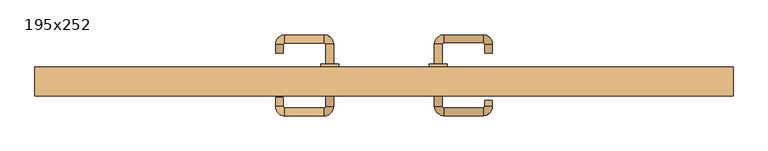
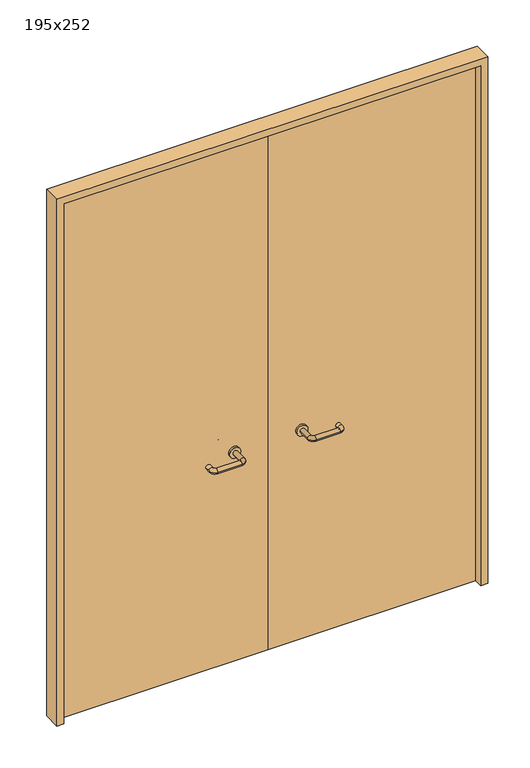
"""IFC4 building model written with IfcOpenShell, lengths in millimetres: door geometry, 195x252."""

from ifc_helpers import new_model, si_unit, point, frame, frame_2d, origin, place, context, project, spatial, polyline, circle_curve, ellipse_curve, trimmed, segment, composite_curve, outline, extrude, source, transform, mapped, element, save
from ifc_brep_helpers import plane_surface, cylinder_surface, revolved_surface, advanced_brep


def door_195x252_9da5147b(model_context):
    return source(origin(), model_context, "Body", "SolidModel", [
        extrude(outline(polyline([(2520.0, -975.0), (0.0, -975.0), (0.0, -943.0), (2488.0, -943.0), (2488.0, 943.0), (0.0, 943.0), (0.0, 975.0), (2520.0, 975.0), (2520.0, -975.0)])), frame((0.0, 110.0, 0.0), z_axis=(0.0, 1.0, 0.0), x_axis=(0.0, 0.0, 1.0)), (0.0, 0.0, 1.0), 80.0),
        advanced_brep(
        [(140.99898, 136.0, 1003.0), (162.99898, 136.0, 1003.0), (140.99898, 80.6474631, 1003.0), (162.99898, 80.6474631, 1003.0), (166.99898, 76.6474631, 1003.0), (166.99898, 54.6474631, 1003.0), (276.99898, 54.6474631, 1003.0), (276.99898, 76.6474631, 1003.0), (280.99898, 80.6474631, 1003.0), (302.99898, 80.6474631, 1003.0), (302.99898, 98.0, 1003.0), (280.99898, 98.0, 1003.0)],
        [
            (0, 1, circle_curve(frame((151.99898, 136.0, 1003.0), z_axis=(0.0, 1.0, 0.0), x_axis=(1.0, 0.0, 0.0)), 11.0)),
            (1, 0, circle_curve(frame((151.99898, 136.0, 1003.0), z_axis=(0.0, 1.0, 0.0), x_axis=(1.0, 0.0, 0.0)), 11.0)),
            (0, 2),
            (2, 3, circle_curve(frame((151.99898, 80.6474631, 1003.0), z_axis=(0.0, 1.0, 0.0), x_axis=(1.0, 0.0, 0.0)), 11.0)),
            (3, 1),
            (3, 2, circle_curve(frame((151.99898, 80.6474631, 1003.0), z_axis=(0.0, 1.0, 0.0), x_axis=(1.0, 0.0, 0.0)), 11.0)),
            (4, 3, circle_curve(frame((166.99898, 80.6474631, 1003.0), z_axis=(0.0, 0.0, -1.0), x_axis=(-1.0, 0.0, 0.0)), 4.0)),
            (2, 5, circle_curve(frame((166.99898, 80.6474631, 1003.0), z_axis=(0.0, 0.0, 1.0), x_axis=(-1.0, 0.0, 0.0)), 26.0)),
            (5, 4, circle_curve(frame((166.99898, 65.6474631, 1003.0), z_axis=(-1.0, 0.0, 0.0), x_axis=(0.0, 1.0, 0.0)), 11.0)),
            (4, 5, circle_curve(frame((166.99898, 65.6474631, 1003.0), z_axis=(-1.0, 0.0, 0.0), x_axis=(0.0, 1.0, 0.0)), 11.0)),
            (5, 6),
            (6, 7, circle_curve(frame((276.99898, 65.6474631, 1003.0), z_axis=(-1.0, 0.0, 0.0), x_axis=(0.0, 1.0, 0.0)), 11.0)),
            (7, 4),
            (7, 6, circle_curve(frame((276.99898, 65.6474631, 1003.0), z_axis=(-1.0, 0.0, 0.0), x_axis=(0.0, 1.0, 0.0)), 11.0)),
            (8, 7, circle_curve(frame((276.99898, 80.6474631, 1003.0), z_axis=(0.0, 0.0, -1.0), x_axis=(0.0, -1.0, 0.0)), 4.0)),
            (6, 9, circle_curve(frame((276.99898, 80.6474631, 1003.0), z_axis=(0.0, 0.0, 1.0), x_axis=(0.0, -1.0, 0.0)), 26.0)),
            (9, 8, circle_curve(frame((291.99898, 80.6474631, 1003.0), z_axis=(0.0, -1.0, 0.0), x_axis=(-1.0, 0.0, 0.0)), 11.0)),
            (8, 9, circle_curve(frame((291.99898, 80.6474631, 1003.0), z_axis=(0.0, -1.0, 0.0), x_axis=(-1.0, 0.0, 0.0)), 11.0)),
            (10, 11, circle_curve(frame((291.99898, 98.0, 1003.0), z_axis=(0.0, 1.0, 0.0), x_axis=(-1.0, 0.0, 0.0)), 11.0)),
            (11, 10, circle_curve(frame((291.99898, 98.0, 1003.0), z_axis=(0.0, 1.0, 0.0), x_axis=(-1.0, 0.0, 0.0)), 11.0)),
            (9, 10),
            (11, 8),
        ],
        [
            plane_surface(frame((140.99898, 136.0, 1003.0), z_axis=(0.0, 1.0, 0.0), x_axis=(0.0, 0.0, -1.0))),
            cylinder_surface(frame((151.99898, 136.0, 1003.0), z_axis=(0.0, 1.0, 0.0), x_axis=(1.0, 0.0, 0.0)), 11.0),
            revolved_surface(trimmed(ellipse_curve(frame((151.99898, 80.6474631, 1003.0), z_axis=(0.0, 1.0, 0.0), x_axis=(1.0, 0.0, 0.0)), 11.0, 11.0), [point((140.99898, 80.6474631, 1003.0))], [point((162.99898, 80.6474631, 1003.0))], True, "CARTESIAN"), (166.99898, 80.6474631, 1003.0), (0.0, 0.0, 1.0)),
            revolved_surface(trimmed(ellipse_curve(frame((151.99898, 80.6474631, 1003.0), z_axis=(0.0, 1.0, 0.0), x_axis=(1.0, 0.0, 0.0)), 11.0, 11.0), [point((162.99898, 80.6474631, 1003.0))], [point((140.99898, 80.6474631, 1003.0))], True, "CARTESIAN"), (166.99898, 80.6474631, 1003.0), (0.0, 0.0, 1.0)),
            cylinder_surface(frame((166.99898, 65.6474631, 1003.0), z_axis=(-1.0, 0.0, 0.0), x_axis=(0.0, 1.0, 0.0)), 11.0),
            revolved_surface(trimmed(ellipse_curve(frame((276.99898, 65.6474631, 1003.0), z_axis=(-1.0, 0.0, 0.0), x_axis=(0.0, 1.0, 0.0)), 11.0, 11.0), [point((276.99898, 54.6474631, 1003.0))], [point((276.99898, 76.6474631, 1003.0))], True, "CARTESIAN"), (276.99898, 80.6474631, 1003.0), (0.0, 0.0, 1.0)),
            revolved_surface(trimmed(ellipse_curve(frame((276.99898, 65.6474631, 1003.0), z_axis=(-1.0, 0.0, 0.0), x_axis=(0.0, 1.0, 0.0)), 11.0, 11.0), [point((276.99898, 76.6474631, 1003.0))], [point((276.99898, 54.6474631, 1003.0))], True, "CARTESIAN"), (276.99898, 80.6474631, 1003.0), (0.0, 0.0, 1.0)),
            plane_surface(frame((280.99898, 98.0, 1003.0), z_axis=(0.0, 1.0, 0.0), x_axis=(0.0, 0.0, 1.0))),
            cylinder_surface(frame((291.99898, 80.6474631, 1003.0), z_axis=(0.0, -1.0, 0.0), x_axis=(-1.0, 0.0, 0.0)), 11.0),
        ],
        [
            (0, [[1, 2]]),
            (1, [[-1, 3, 4, 5]]),
            (1, [[-2, -5, 6, -3]]),
            (2, [[7, -4, 8, 9]]),
            (3, [[-8, -6, -7, 10]]),
            (4, [[-9, 11, 12, 13]]),
            (4, [[-10, -13, 14, -11]]),
            (5, [[15, -12, 16, 17]]),
            (6, [[-16, -14, -15, 18]]),
            (7, [[19, 20]]),
            (8, [[-17, 21, -20, 22]]),
            (8, [[-18, -22, -19, -21]]),
        ],
    ),
        extrude(outline(composite_curve([segment(trimmed(circle_curve(frame_2d((1003.0, 151.99898)), 25.0), [point((1003.0, 126.99898))], [point((1003.0, 176.99898))], False, "CARTESIAN"), True, "CONTINUOUS"), segment(trimmed(circle_curve(frame_2d((1003.0, 151.99898)), 25.0), [point((1003.0, 176.99898))], [point((1003.0, 126.99898))], False, "CARTESIAN"), True, "CONTINUOUS")], self_intersect=False)), frame((0.0, 136.0, 0.0), z_axis=(0.0, 1.0, 0.0), x_axis=(0.0, 0.0, 1.0)), (0.0, 0.0, 1.0), 10.0),
        advanced_brep(
        [(162.99898, 200.0, 1003.0), (140.99898, 200.0, 1003.0), (162.99898, 255.0, 1003.0), (140.99898, 255.0, 1003.0), (166.99898, 281.0, 1003.0), (166.99898, 259.0, 1003.0), (276.99898, 259.0, 1003.0), (276.99898, 281.0, 1003.0), (302.99898, 255.0, 1003.0), (280.99898, 255.0, 1003.0), (280.99898, 230.0, 1003.0), (302.99898, 230.0, 1003.0)],
        [
            (0, 1, circle_curve(frame((151.99898, 200.0, 1003.0), z_axis=(0.0, -1.0, 0.0), x_axis=(-1.0, 0.0, 0.0)), 11.0)),
            (1, 0, circle_curve(frame((151.99898, 200.0, 1003.0), z_axis=(0.0, -1.0, 0.0), x_axis=(-1.0, 0.0, 0.0)), 11.0)),
            (0, 2),
            (2, 3, circle_curve(frame((151.99898, 255.0, 1003.0), z_axis=(0.0, -1.0, 0.0), x_axis=(-1.0, 0.0, 0.0)), 11.0)),
            (3, 1),
            (3, 2, circle_curve(frame((151.99898, 255.0, 1003.0), z_axis=(0.0, -1.0, 0.0), x_axis=(-1.0, 0.0, 0.0)), 11.0)),
            (4, 3, circle_curve(frame((166.99898, 255.0, 1003.0), z_axis=(0.0, 0.0, 1.0), x_axis=(-1.0, 0.0, 0.0)), 26.0)),
            (2, 5, circle_curve(frame((166.99898, 255.0, 1003.0), z_axis=(0.0, 0.0, -1.0), x_axis=(-1.0, 0.0, 0.0)), 4.0)),
            (5, 4, circle_curve(frame((166.99898, 270.0, 1003.0), z_axis=(-1.0, 0.0, 0.0), x_axis=(0.0, 1.0, 0.0)), 11.0)),
            (4, 5, circle_curve(frame((166.99898, 270.0, 1003.0), z_axis=(-1.0, 0.0, 0.0), x_axis=(0.0, 1.0, 0.0)), 11.0)),
            (5, 6),
            (6, 7, circle_curve(frame((276.99898, 270.0, 1003.0), z_axis=(-1.0, 0.0, 0.0), x_axis=(0.0, 1.0, 0.0)), 11.0)),
            (7, 4),
            (7, 6, circle_curve(frame((276.99898, 270.0, 1003.0), z_axis=(-1.0, 0.0, 0.0), x_axis=(0.0, 1.0, 0.0)), 11.0)),
            (8, 7, circle_curve(frame((276.99898, 255.0, 1003.0), z_axis=(0.0, 0.0, 1.0), x_axis=(0.0, 1.0, 0.0)), 26.0)),
            (6, 9, circle_curve(frame((276.99898, 255.0, 1003.0), z_axis=(0.0, 0.0, -1.0), x_axis=(0.0, 1.0, 0.0)), 4.0)),
            (9, 8, circle_curve(frame((291.99898, 255.0, 1003.0), z_axis=(0.0, 1.0, 0.0), x_axis=(1.0, 0.0, 0.0)), 11.0)),
            (8, 9, circle_curve(frame((291.99898, 255.0, 1003.0), z_axis=(0.0, 1.0, 0.0), x_axis=(1.0, 0.0, 0.0)), 11.0)),
            (10, 11, circle_curve(frame((291.99898, 230.0, 1003.0), z_axis=(0.0, -1.0, 0.0), x_axis=(1.0, 0.0, 0.0)), 11.0)),
            (11, 10, circle_curve(frame((291.99898, 230.0, 1003.0), z_axis=(0.0, -1.0, 0.0), x_axis=(1.0, 0.0, 0.0)), 11.0)),
            (9, 10),
            (11, 8),
        ],
        [
            plane_surface(frame((140.99898, 200.0, 1003.0), z_axis=(0.0, -1.0, 0.0), x_axis=(0.0, 0.0, 1.0))),
            cylinder_surface(frame((151.99898, 200.0, 1003.0), z_axis=(0.0, -1.0, 0.0), x_axis=(-1.0, 0.0, 0.0)), 11.0),
            revolved_surface(trimmed(ellipse_curve(frame((151.99898, 255.0, 1003.0), z_axis=(0.0, -1.0, 0.0), x_axis=(-1.0, 0.0, 0.0)), 11.0, 11.0), [point((162.99898, 255.0, 1003.0))], [point((140.99898, 255.0, 1003.0))], True, "CARTESIAN"), (166.99898, 255.0, 1003.0), (0.0, 0.0, -1.0)),
            revolved_surface(trimmed(ellipse_curve(frame((151.99898, 255.0, 1003.0), z_axis=(0.0, -1.0, 0.0), x_axis=(-1.0, 0.0, 0.0)), 11.0, 11.0), [point((140.99898, 255.0, 1003.0))], [point((162.99898, 255.0, 1003.0))], True, "CARTESIAN"), (166.99898, 255.0, 1003.0), (0.0, 0.0, -1.0)),
            cylinder_surface(frame((166.99898, 270.0, 1003.0), z_axis=(-1.0, 0.0, 0.0), x_axis=(0.0, 1.0, 0.0)), 11.0),
            revolved_surface(trimmed(ellipse_curve(frame((276.99898, 270.0, 1003.0), z_axis=(-1.0, 0.0, 0.0), x_axis=(0.0, 1.0, 0.0)), 11.0, 11.0), [point((276.99898, 259.0, 1003.0))], [point((276.99898, 281.0, 1003.0))], True, "CARTESIAN"), (276.99898, 255.0, 1003.0), (0.0, 0.0, -1.0)),
            revolved_surface(trimmed(ellipse_curve(frame((276.99898, 270.0, 1003.0), z_axis=(-1.0, 0.0, 0.0), x_axis=(0.0, 1.0, 0.0)), 11.0, 11.0), [point((276.99898, 281.0, 1003.0))], [point((276.99898, 259.0, 1003.0))], True, "CARTESIAN"), (276.99898, 255.0, 1003.0), (0.0, 0.0, -1.0)),
            plane_surface(frame((280.99898, 230.0, 1003.0), z_axis=(0.0, -1.0, 0.0), x_axis=(0.0, 0.0, -1.0))),
            cylinder_surface(frame((291.99898, 255.0, 1003.0), z_axis=(0.0, 1.0, 0.0), x_axis=(1.0, 0.0, 0.0)), 11.0),
        ],
        [
            (0, [[1, 2]]),
            (1, [[-1, 3, 4, 5]]),
            (1, [[-2, -5, 6, -3]]),
            (2, [[7, -4, 8, 9]]),
            (3, [[-8, -6, -7, 10]]),
            (4, [[-9, 11, 12, 13]]),
            (4, [[-10, -13, 14, -11]]),
            (5, [[15, -12, 16, 17]]),
            (6, [[-16, -14, -15, 18]]),
            (7, [[19, 20]]),
            (8, [[-17, 21, -20, 22]]),
            (8, [[-18, -22, -19, -21]]),
        ],
    ),
        extrude(outline(composite_curve([segment(trimmed(circle_curve(frame_2d((1003.0, 151.99898)), 25.0), [point((1003.0, 176.99898))], [point((1003.0, 126.99898))], False, "CARTESIAN"), True, "CONTINUOUS"), segment(trimmed(circle_curve(frame_2d((1003.0, 151.99898)), 25.0), [point((1003.0, 126.99898))], [point((1003.0, 176.99898))], False, "CARTESIAN"), True, "CONTINUOUS")], self_intersect=False)), frame((0.0, 190.0, 0.0), z_axis=(0.0, 1.0, 0.0), x_axis=(0.0, 0.0, 1.0)), (0.0, 0.0, 1.0), 10.0),
        advanced_brep(
        [(-162.99898, 135.6886121, 1003.0), (-140.99898, 135.6886121, 1003.0), (-162.99898, 80.2779553, 1003.0), (-140.99898, 80.2779553, 1003.0), (-166.99898, 54.2779553, 1003.0), (-166.99898, 76.2779553, 1003.0), (-276.99898, 76.2779553, 1003.0), (-276.99898, 54.2779553, 1003.0), (-302.99898, 80.2779553, 1003.0), (-280.99898, 80.2779553, 1003.0), (-280.99898, 105.2779553, 1003.0), (-302.99898, 105.2779553, 1003.0)],
        [
            (0, 1, circle_curve(frame((-151.99898, 135.6886121, 1003.0), z_axis=(0.0, 1.0, 0.0), x_axis=(1.0, 0.0, 0.0)), 11.0)),
            (1, 0, circle_curve(frame((-151.99898, 135.6886121, 1003.0), z_axis=(0.0, 1.0, 0.0), x_axis=(1.0, 0.0, 0.0)), 11.0)),
            (0, 2),
            (2, 3, circle_curve(frame((-151.99898, 80.2779553, 1003.0), z_axis=(0.0, 1.0, 0.0), x_axis=(1.0, 0.0, 0.0)), 11.0)),
            (3, 1),
            (3, 2, circle_curve(frame((-151.99898, 80.2779553, 1003.0), z_axis=(0.0, 1.0, 0.0), x_axis=(1.0, 0.0, 0.0)), 11.0)),
            (4, 3, circle_curve(frame((-166.99898, 80.2779553, 1003.0), z_axis=(0.0, 0.0, 1.0), x_axis=(1.0, 0.0, 0.0)), 26.0)),
            (2, 5, circle_curve(frame((-166.99898, 80.2779553, 1003.0), z_axis=(0.0, 0.0, -1.0), x_axis=(1.0, 0.0, 0.0)), 4.0)),
            (5, 4, circle_curve(frame((-166.99898, 65.2779553, 1003.0), z_axis=(1.0, 0.0, 0.0), x_axis=(0.0, -1.0, 0.0)), 11.0)),
            (4, 5, circle_curve(frame((-166.99898, 65.2779553, 1003.0), z_axis=(1.0, 0.0, 0.0), x_axis=(0.0, -1.0, 0.0)), 11.0)),
            (5, 6),
            (6, 7, circle_curve(frame((-276.99898, 65.2779553, 1003.0), z_axis=(1.0, 0.0, 0.0), x_axis=(0.0, -1.0, 0.0)), 11.0)),
            (7, 4),
            (7, 6, circle_curve(frame((-276.99898, 65.2779553, 1003.0), z_axis=(1.0, 0.0, 0.0), x_axis=(0.0, -1.0, 0.0)), 11.0)),
            (8, 7, circle_curve(frame((-276.99898, 80.2779553, 1003.0), z_axis=(0.0, 0.0, 1.0), x_axis=(0.0, -1.0, 0.0)), 26.0)),
            (6, 9, circle_curve(frame((-276.99898, 80.2779553, 1003.0), z_axis=(0.0, 0.0, -1.0), x_axis=(0.0, -1.0, 0.0)), 4.0)),
            (9, 8, circle_curve(frame((-291.99898, 80.2779553, 1003.0), z_axis=(0.0, -1.0, 0.0), x_axis=(-1.0, 0.0, 0.0)), 11.0)),
            (8, 9, circle_curve(frame((-291.99898, 80.2779553, 1003.0), z_axis=(0.0, -1.0, 0.0), x_axis=(-1.0, 0.0, 0.0)), 11.0)),
            (10, 11, circle_curve(frame((-291.99898, 105.2779553, 1003.0), z_axis=(0.0, 1.0, 0.0), x_axis=(-1.0, 0.0, 0.0)), 11.0)),
            (11, 10, circle_curve(frame((-291.99898, 105.2779553, 1003.0), z_axis=(0.0, 1.0, 0.0), x_axis=(-1.0, 0.0, 0.0)), 11.0)),
            (9, 10),
            (11, 8),
        ],
        [
            plane_surface(frame((-162.99898, 135.6886121, 1003.0), z_axis=(0.0, 1.0, 0.0), x_axis=(0.0, 0.0, -1.0))),
            cylinder_surface(frame((-151.99898, 135.6886121, 1003.0), z_axis=(0.0, 1.0, 0.0), x_axis=(1.0, 0.0, 0.0)), 11.0),
            revolved_surface(trimmed(ellipse_curve(frame((-151.99898, 80.2779553, 1003.0), z_axis=(0.0, 1.0, 0.0), x_axis=(1.0, 0.0, 0.0)), 11.0, 11.0), [point((-162.99898, 80.2779553, 1003.0))], [point((-140.99898, 80.2779553, 1003.0))], True, "CARTESIAN"), (-166.99898, 80.2779553, 1003.0), (0.0, 0.0, -1.0)),
            revolved_surface(trimmed(ellipse_curve(frame((-151.99898, 80.2779553, 1003.0), z_axis=(0.0, 1.0, 0.0), x_axis=(1.0, 0.0, 0.0)), 11.0, 11.0), [point((-140.99898, 80.2779553, 1003.0))], [point((-162.99898, 80.2779553, 1003.0))], True, "CARTESIAN"), (-166.99898, 80.2779553, 1003.0), (0.0, 0.0, -1.0)),
            cylinder_surface(frame((-166.99898, 65.2779553, 1003.0), z_axis=(1.0, 0.0, 0.0), x_axis=(0.0, -1.0, 0.0)), 11.0),
            revolved_surface(trimmed(ellipse_curve(frame((-276.99898, 65.2779553, 1003.0), z_axis=(1.0, 0.0, 0.0), x_axis=(0.0, -1.0, 0.0)), 11.0, 11.0), [point((-276.99898, 76.2779553, 1003.0))], [point((-276.99898, 54.2779553, 1003.0))], True, "CARTESIAN"), (-276.99898, 80.2779553, 1003.0), (0.0, 0.0, -1.0)),
            revolved_surface(trimmed(ellipse_curve(frame((-276.99898, 65.2779553, 1003.0), z_axis=(1.0, 0.0, 0.0), x_axis=(0.0, -1.0, 0.0)), 11.0, 11.0), [point((-276.99898, 54.2779553, 1003.0))], [point((-276.99898, 76.2779553, 1003.0))], True, "CARTESIAN"), (-276.99898, 80.2779553, 1003.0), (0.0, 0.0, -1.0)),
            plane_surface(frame((-302.99898, 105.2779553, 1003.0), z_axis=(0.0, 1.0, 0.0), x_axis=(0.0, 0.0, 1.0))),
            cylinder_surface(frame((-291.99898, 80.2779553, 1003.0), z_axis=(0.0, -1.0, 0.0), x_axis=(-1.0, 0.0, 0.0)), 11.0),
        ],
        [
            (0, [[1, 2]]),
            (1, [[-1, 3, 4, 5]]),
            (1, [[-2, -5, 6, -3]]),
            (2, [[7, -4, 8, 9]]),
            (3, [[-8, -6, -7, 10]]),
            (4, [[-9, 11, 12, 13]]),
            (4, [[-10, -13, 14, -11]]),
            (5, [[15, -12, 16, 17]]),
            (6, [[-16, -14, -15, 18]]),
            (7, [[19, 20]]),
            (8, [[-17, 21, -20, 22]]),
            (8, [[-18, -22, -19, -21]]),
        ],
    ),
        extrude(outline(composite_curve([segment(trimmed(circle_curve(frame_2d((1003.0, -151.99898)), 25.0), [point((1003.0, -176.99898))], [point((1003.0, -126.99898))], False, "CARTESIAN"), True, "CONTINUOUS"), segment(trimmed(circle_curve(frame_2d((1003.0, -151.99898)), 25.0), [point((1003.0, -126.99898))], [point((1003.0, -176.99898))], False, "CARTESIAN"), True, "CONTINUOUS")], self_intersect=False)), frame((0.0, 135.6886121, 0.0), z_axis=(0.0, 1.0, 0.0), x_axis=(0.0, 0.0, 1.0)), (0.0, 0.0, 1.0), 10.3113879),
        advanced_brep(
        [(-140.99898, 199.5143417, 1003.0), (-162.99898, 199.5143417, 1003.0), (-140.99898, 254.6104656, 1003.0), (-162.99898, 254.6104656, 1003.0), (-166.99898, 258.6104656, 1003.0), (-166.99898, 280.6104656, 1003.0), (-276.99898, 280.6104656, 1003.0), (-276.99898, 258.6104656, 1003.0), (-280.99898, 254.6104656, 1003.0), (-302.99898, 254.6104656, 1003.0), (-302.99898, 229.6104656, 1003.0), (-280.99898, 229.6104656, 1003.0)],
        [
            (0, 1, circle_curve(frame((-151.99898, 199.5143417, 1003.0), z_axis=(0.0, -1.0, 0.0), x_axis=(-1.0, 0.0, 0.0)), 11.0)),
            (1, 0, circle_curve(frame((-151.99898, 199.5143417, 1003.0), z_axis=(0.0, -1.0, 0.0), x_axis=(-1.0, 0.0, 0.0)), 11.0)),
            (0, 2),
            (2, 3, circle_curve(frame((-151.99898, 254.6104656, 1003.0), z_axis=(0.0, -1.0, 0.0), x_axis=(-1.0, 0.0, 0.0)), 11.0)),
            (3, 1),
            (3, 2, circle_curve(frame((-151.99898, 254.6104656, 1003.0), z_axis=(0.0, -1.0, 0.0), x_axis=(-1.0, 0.0, 0.0)), 11.0)),
            (4, 3, circle_curve(frame((-166.99898, 254.6104656, 1003.0), z_axis=(0.0, 0.0, -1.0), x_axis=(1.0, 0.0, 0.0)), 4.0)),
            (2, 5, circle_curve(frame((-166.99898, 254.6104656, 1003.0), z_axis=(0.0, 0.0, 1.0), x_axis=(1.0, 0.0, 0.0)), 26.0)),
            (5, 4, circle_curve(frame((-166.99898, 269.6104656, 1003.0), z_axis=(1.0, 0.0, 0.0), x_axis=(0.0, -1.0, 0.0)), 11.0)),
            (4, 5, circle_curve(frame((-166.99898, 269.6104656, 1003.0), z_axis=(1.0, 0.0, 0.0), x_axis=(0.0, -1.0, 0.0)), 11.0)),
            (5, 6),
            (6, 7, circle_curve(frame((-276.99898, 269.6104656, 1003.0), z_axis=(1.0, 0.0, 0.0), x_axis=(0.0, -1.0, 0.0)), 11.0)),
            (7, 4),
            (7, 6, circle_curve(frame((-276.99898, 269.6104656, 1003.0), z_axis=(1.0, 0.0, 0.0), x_axis=(0.0, -1.0, 0.0)), 11.0)),
            (8, 7, circle_curve(frame((-276.99898, 254.6104656, 1003.0), z_axis=(0.0, 0.0, -1.0), x_axis=(0.0, 1.0, 0.0)), 4.0)),
            (6, 9, circle_curve(frame((-276.99898, 254.6104656, 1003.0), z_axis=(0.0, 0.0, 1.0), x_axis=(0.0, 1.0, 0.0)), 26.0)),
            (9, 8, circle_curve(frame((-291.99898, 254.6104656, 1003.0), z_axis=(0.0, 1.0, 0.0), x_axis=(1.0, 0.0, 0.0)), 11.0)),
            (8, 9, circle_curve(frame((-291.99898, 254.6104656, 1003.0), z_axis=(0.0, 1.0, 0.0), x_axis=(1.0, 0.0, 0.0)), 11.0)),
            (10, 11, circle_curve(frame((-291.99898, 229.6104656, 1003.0), z_axis=(0.0, -1.0, 0.0), x_axis=(1.0, 0.0, 0.0)), 11.0)),
            (11, 10, circle_curve(frame((-291.99898, 229.6104656, 1003.0), z_axis=(0.0, -1.0, 0.0), x_axis=(1.0, 0.0, 0.0)), 11.0)),
            (9, 10),
            (11, 8),
        ],
        [
            plane_surface(frame((-162.99898, 199.5143417, 1003.0), z_axis=(0.0, -1.0, 0.0), x_axis=(0.0, 0.0, 1.0))),
            cylinder_surface(frame((-151.99898, 199.5143417, 1003.0), z_axis=(0.0, -1.0, 0.0), x_axis=(-1.0, 0.0, 0.0)), 11.0),
            revolved_surface(trimmed(ellipse_curve(frame((-151.99898, 254.6104656, 1003.0), z_axis=(0.0, -1.0, 0.0), x_axis=(-1.0, 0.0, 0.0)), 11.0, 11.0), [point((-140.99898, 254.6104656, 1003.0))], [point((-162.99898, 254.6104656, 1003.0))], True, "CARTESIAN"), (-166.99898, 254.6104656, 1003.0), (0.0, 0.0, 1.0)),
            revolved_surface(trimmed(ellipse_curve(frame((-151.99898, 254.6104656, 1003.0), z_axis=(0.0, -1.0, 0.0), x_axis=(-1.0, 0.0, 0.0)), 11.0, 11.0), [point((-162.99898, 254.6104656, 1003.0))], [point((-140.99898, 254.6104656, 1003.0))], True, "CARTESIAN"), (-166.99898, 254.6104656, 1003.0), (0.0, 0.0, 1.0)),
            cylinder_surface(frame((-166.99898, 269.6104656, 1003.0), z_axis=(1.0, 0.0, 0.0), x_axis=(0.0, -1.0, 0.0)), 11.0),
            revolved_surface(trimmed(ellipse_curve(frame((-276.99898, 269.6104656, 1003.0), z_axis=(1.0, 0.0, 0.0), x_axis=(0.0, -1.0, 0.0)), 11.0, 11.0), [point((-276.99898, 280.6104656, 1003.0))], [point((-276.99898, 258.6104656, 1003.0))], True, "CARTESIAN"), (-276.99898, 254.6104656, 1003.0), (0.0, 0.0, 1.0)),
            revolved_surface(trimmed(ellipse_curve(frame((-276.99898, 269.6104656, 1003.0), z_axis=(1.0, 0.0, 0.0), x_axis=(0.0, -1.0, 0.0)), 11.0, 11.0), [point((-276.99898, 258.6104656, 1003.0))], [point((-276.99898, 280.6104656, 1003.0))], True, "CARTESIAN"), (-276.99898, 254.6104656, 1003.0), (0.0, 0.0, 1.0)),
            plane_surface(frame((-302.99898, 229.6104656, 1003.0), z_axis=(0.0, -1.0, 0.0), x_axis=(0.0, 0.0, -1.0))),
            cylinder_surface(frame((-291.99898, 254.6104656, 1003.0), z_axis=(0.0, 1.0, 0.0), x_axis=(1.0, 0.0, 0.0)), 11.0),
        ],
        [
            (0, [[1, 2]]),
            (1, [[-1, 3, 4, 5]]),
            (1, [[-2, -5, 6, -3]]),
            (2, [[7, -4, 8, 9]]),
            (3, [[-8, -6, -7, 10]]),
            (4, [[-9, 11, 12, 13]]),
            (4, [[-10, -13, 14, -11]]),
            (5, [[15, -12, 16, 17]]),
            (6, [[-16, -14, -15, 18]]),
            (7, [[19, 20]]),
            (8, [[-17, 21, -20, 22]]),
            (8, [[-18, -22, -19, -21]]),
        ],
    ),
        extrude(outline(composite_curve([segment(trimmed(circle_curve(frame_2d((1003.0, -151.99898)), 25.0), [point((1003.0, -126.99898))], [point((1003.0, -176.99898))], False, "CARTESIAN"), True, "CONTINUOUS"), segment(trimmed(circle_curve(frame_2d((1003.0, -151.99898)), 25.0), [point((1003.0, -176.99898))], [point((1003.0, -126.99898))], False, "CARTESIAN"), True, "CONTINUOUS")], self_intersect=False)), frame((0.0, 190.0, 0.0), z_axis=(0.0, 1.0, 0.0), x_axis=(0.0, 0.0, 1.0)), (0.0, 0.0, 1.0), 9.5143417),
        extrude(outline(polyline([(1.0739506, 146.0), (-940.0, 146.0), (-940.0, 190.0), (1.0739506, 190.0), (1.0739506, 146.0)])), frame((0.0, 0.0, 1.753223), z_axis=(0.0, 0.0, 1.0), x_axis=(1.0, 0.0, 0.0)), (0.0, 0.0, 1.0), 2486.246777),
        extrude(outline(polyline([(940.0, 146.0), (1.0739506, 146.0), (1.0739506, 190.0), (940.0, 190.0), (940.0, 146.0)])), frame((0.0, 0.0, 1.753223), z_axis=(0.0, 0.0, 1.0), x_axis=(1.0, 0.0, 0.0)), (0.0, 0.0, 1.0), 2486.246777),
    ])


if __name__ == "__main__":
    model = new_model("IFC4")
    model_context = context("Model", 3, world=origin())
    ifc_project = project(units=[si_unit("LENGTHUNIT", "METRE", prefix="MILLI")], contexts=[model_context])
    site = spatial("IfcSite", under=ifc_project)
    building = spatial("IfcBuilding", under=site)
    placement = place(None, origin())
    door_195x252_shape = door_195x252_9da5147b(model_context)
    element("IfcDoor", 1, ObjectType="195x252", at=placement, inside=building, context=model_context, shape_type="MappedRepresentation", body=[
        mapped(door_195x252_shape, transform((0.0, 0.0, 0.0), x_axis=(1.0, 0.0, 0.0), y_axis=(0.0, 1.0, 0.0), z_axis=(0.0, 0.0, 1.0))),
    ])
    save(model, "model.ifc")
